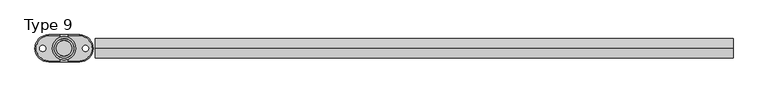
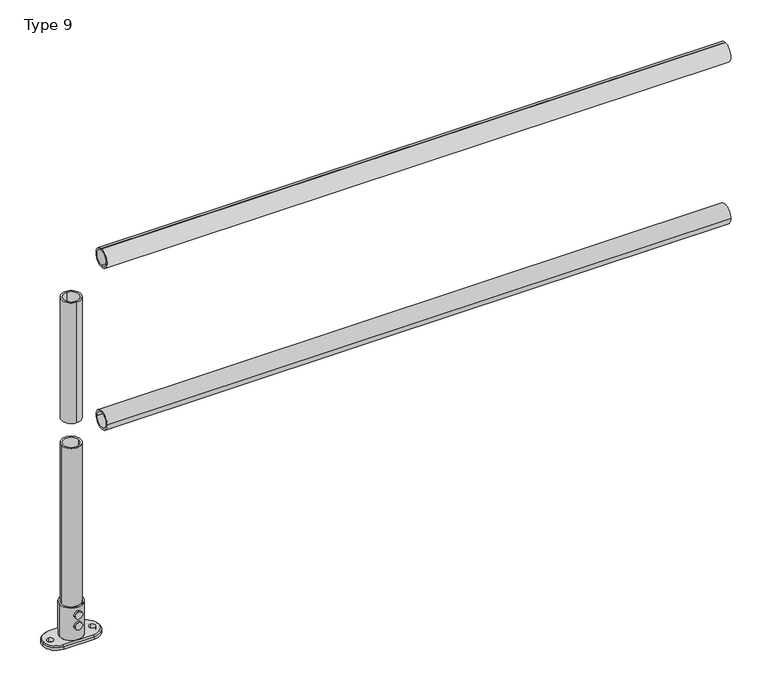
"""IFC4 building model written with IfcOpenShell, lengths in millimetres: proxy geometry, Type 9."""

import ifcopenshell
import ifcopenshell.guid

model = None  # the IFC model being written
_history = None  # IfcOwnerHistory: only IFC2X3 demands one
_inside = {}  # id of a spatial element -> (the spatial element, [elements in it])
_under = {}  # id of a project, library or spatial element -> (it, [spatial elements below it])
_declared = {}  # id of a project -> (the project, [libraries it declares])
_typed = {}  # id of a type object -> (the type object, [elements of that type])
_made_of = {}  # id of a material, layer set ... -> (it, [elements and type objects made of it])


def new_model(schema):
    """Start an empty IFC model of exactly this schema.

    Asked for "IFC4X3", IfcOpenShell would pick the latest addendum, in which some entities
    have other attributes; the version numbers below select the first issue.
    IFC2X3 requires an IfcOwnerHistory on every rooted entity: one is made here for all.
    """
    global model, _history
    if schema == "IFC4X3":
        model = ifcopenshell.file(schema_version=(4, 3, 0, 0))
    else:
        model = ifcopenshell.file(schema=schema)
    _inside.clear()
    _under.clear()
    _declared.clear()
    _typed.clear()
    _made_of.clear()
    _history = None
    if model.schema == "IFC2X3":
        org = make("IfcOrganization", Name="unknown")
        user = make(
            "IfcPersonAndOrganization",
            ThePerson=make("IfcPerson", FamilyName="unknown"),
            TheOrganization=org,
        )
        app = make(
            "IfcApplication",
            ApplicationDeveloper=org,
            Version="unknown",
            ApplicationFullName="unknown",
            ApplicationIdentifier="unknown",
        )
        _history = make(
            "IfcOwnerHistory",
            OwningUser=user,
            OwningApplication=app,
            ChangeAction="ADDED",
            CreationDate=0,
        )
    return model


def make(cls, **values):
    """One entity of the class cls with the attributes given. An attribute that is None is left unset."""
    return model.create_entity(
        cls, **{name: value for name, value in values.items() if value is not None}
    )


def rooted(cls, **values):
    """An entity with a GlobalId (a new one), such as an element, a storey or a relation."""
    return make(cls, GlobalId=ifcopenshell.guid.new(), OwnerHistory=_history, **values)


def si_unit(unit_type, name, prefix=None):
    """IfcSIUnit, for example si_unit("LENGTHUNIT", "METRE", prefix="MILLI")."""
    return make("IfcSIUnit", UnitType=unit_type, Prefix=prefix, Name=name)


def assignment(units):
    """IfcUnitAssignment: the units of a project."""
    return None if units is None else make("IfcUnitAssignment", Units=units)


def point(xyz):
    """IfcCartesianPoint."""
    return None if xyz is None else make("IfcCartesianPoint", Coordinates=xyz)


def direction(xyz):
    """IfcDirection."""
    return None if xyz is None else make("IfcDirection", DirectionRatios=xyz)


def frame(location, z_axis=None, x_axis=None):
    """IfcAxis2Placement3D, a coordinate frame: its origin and axes. An axis left out is left unset."""
    return make(
        "IfcAxis2Placement3D",
        Location=point(location),
        Axis=direction(z_axis),
        RefDirection=direction(x_axis),
    )


def frame_2d(location, x_axis=None):
    """IfcAxis2Placement2D, a coordinate frame in the plane: its origin and x axis."""
    return make(
        "IfcAxis2Placement2D", Location=point(location), RefDirection=direction(x_axis)
    )


def origin():
    """The frame at (0, 0, 0) with its axes left unset."""
    return frame((0.0, 0.0, 0.0))


def origin_with_axes():
    """The frame at (0, 0, 0) with the z axis (0, 0, 1) and the x axis (1, 0, 0) written out."""
    return frame((0.0, 0.0, 0.0), z_axis=(0.0, 0.0, 1.0), x_axis=(1.0, 0.0, 0.0))


def origin_2d():
    """The frame at (0, 0) in the plane with its x axis left unset."""
    return frame_2d((0.0, 0.0))


def place(relative_to, where):
    """IfcLocalPlacement: puts the frame where relative to a parent placement (None: the world)."""
    return make(
        "IfcLocalPlacement", PlacementRelTo=relative_to, RelativePlacement=where
    )


def context(
    kind, dimensions, precision=None, world=None, true_north=None, identifier=None
):
    """IfcGeometricRepresentationContext, for example the 3D "Model" context."""
    return make(
        "IfcGeometricRepresentationContext",
        ContextIdentifier=identifier,
        ContextType=kind,
        CoordinateSpaceDimension=dimensions,
        Precision=precision,
        WorldCoordinateSystem=world,
        TrueNorth=true_north,
    )


def project(units=None, contexts=None):
    """IfcProject with its units and contexts."""
    return rooted(
        "IfcProject",
        Name="project",
        RepresentationContexts=contexts,
        UnitsInContext=assignment(units),
    )


def spatial(cls, under=None, at=None, **own):
    """A site, building, storey or space (cls), placed at a placement, below another one or the project."""
    s = rooted(cls, ObjectPlacement=at, **own)
    if under is not None:
        _under.setdefault(under.id(), (under, []))[1].append(s)
    return s


def polyline(points):
    """IfcPolyline through the points."""
    return make("IfcPolyline", Points=[point(p) for p in points])


def circle_curve(where, radius):
    """IfcCircle in the frame where."""
    return make("IfcCircle", Position=where, Radius=radius)


def trimmed(basis, trim1, trim2, sense, master):
    """IfcTrimmedCurve: the piece of a basis curve between two trims."""
    return make(
        "IfcTrimmedCurve",
        BasisCurve=basis,
        Trim1=trim1,
        Trim2=trim2,
        SenseAgreement=sense,
        MasterRepresentation=master,
    )


def segment(curve, same_sense, transition):
    """IfcCompositeCurveSegment."""
    return make(
        "IfcCompositeCurveSegment",
        Transition=transition,
        SameSense=same_sense,
        ParentCurve=curve,
    )


def composite_curve(segments, self_intersect=None):
    """IfcCompositeCurve: segments joined end to end."""
    return make("IfcCompositeCurve", Segments=segments, SelfIntersect=self_intersect)


def outline(outer, holes=None, kind="AREA"):
    """IfcArbitraryClosedProfileDef: a profile drawn as a closed curve; with holes, ...WithVoids."""
    if holes is None:
        return make("IfcArbitraryClosedProfileDef", ProfileType=kind, OuterCurve=outer)
    return make(
        "IfcArbitraryProfileDefWithVoids",
        ProfileType=kind,
        OuterCurve=outer,
        InnerCurves=holes,
    )


def extrude(swept, where, along, depth):
    """IfcExtrudedAreaSolid: the profile swept, set in the frame where, extruded along a direction by depth."""
    return make(
        "IfcExtrudedAreaSolid",
        SweptArea=swept,
        Position=where,
        ExtrudedDirection=direction(along),
        Depth=depth,
    )


def shape(context_of_items, identifier, shape_type, items):
    """IfcShapeRepresentation: the items that make up one representation, for example the "Body"."""
    return make(
        "IfcShapeRepresentation",
        ContextOfItems=context_of_items,
        RepresentationIdentifier=identifier,
        RepresentationType=shape_type,
        Items=items,
    )


def source(mapping_origin, context_of_items, identifier, shape_type, items):
    """IfcRepresentationMap: a shape defined once, which mapped items show again and again."""
    return make(
        "IfcRepresentationMap",
        MappingOrigin=mapping_origin,
        MappedRepresentation=shape(context_of_items, identifier, shape_type, items),
    )


def transform(
    local_origin,
    x_axis=None,
    y_axis=None,
    z_axis=None,
    scale=None,
    scale2=None,
    scale3=None,
    uniform=True,
):
    """IfcCartesianTransformationOperator3D, or its non-uniform kind. x_axis, y_axis, z_axis: its Axis1, 2, 3."""
    if uniform:
        return make(
            "IfcCartesianTransformationOperator3D",
            Axis1=direction(x_axis),
            Axis2=direction(y_axis),
            LocalOrigin=point(local_origin),
            Scale=scale,
            Axis3=direction(z_axis),
        )
    return make(
        "IfcCartesianTransformationOperator3DnonUniform",
        Axis1=direction(x_axis),
        Axis2=direction(y_axis),
        LocalOrigin=point(local_origin),
        Scale=scale,
        Axis3=direction(z_axis),
        Scale2=scale2,
        Scale3=scale3,
    )


def mapped(mapping_source, mapping_target):
    """IfcMappedItem: shows the shape of a source again, moved by a transform."""
    return make(
        "IfcMappedItem", MappingSource=mapping_source, MappingTarget=mapping_target
    )


def made_of(thing, what):
    """Note that an element or type object is made of a material, layer set ...; save() writes the relation."""
    if what is not None:
        _made_of.setdefault(what.id(), (what, []))[1].append(thing)
    return thing


def element(
    cls,
    number,
    at=None,
    inside=None,
    cuts=None,
    type_object=None,
    material=None,
    context=None,
    identifier="Body",
    shape_type=None,
    held_by="IfcProductDefinitionShape",
    body=None,
    shapes=None,
    **own,
):
    """One element of the class cls, such as IfcWall. Its Tag is "e" and its number.

    at: its placement. inside: the storey or other place that contains it. cuts: it is an
    opening in that element (IfcRelVoidsElement). A single representation is given by context,
    identifier, shape_type and body (its items); several are given by shapes. held_by: the class
    of the entity that holds the representations. save() writes the other relations.
    """
    e = rooted(cls, Tag="e%d" % number, ObjectPlacement=at, **own)
    if body is not None:
        shapes = [shape(context, identifier, shape_type, body)]
    if shapes is not None:
        e.Representation = make(held_by, Representations=shapes)
    if inside is not None:
        _inside.setdefault(inside.id(), (inside, []))[1].append(e)
    if cuts is not None:
        rooted(
            "IfcRelVoidsElement", RelatingBuildingElement=cuts, RelatedOpeningElement=e
        )
    if type_object is not None:
        _typed.setdefault(type_object.id(), (type_object, []))[1].append(e)
    return made_of(e, material)


def aggregate(whole, parts):
    """IfcRelAggregates: a whole, such as a stair, and the parts it consists of."""
    return rooted("IfcRelAggregates", RelatingObject=whole, RelatedObjects=parts)


def save(model, path):
    """Write the relations noted so far, then the file.

    IfcRelAggregates (storeys below a building ...), IfcRelContainedInSpatialStructure (elements
    in a storey), IfcRelDefinesByType, IfcRelAssociatesMaterial and IfcRelDeclares: one each for
    every whole, place, type object, material and project.
    """
    for whole, parts in _under.values():
        aggregate(whole, parts)
    for where, things in _inside.values():
        rooted(
            "IfcRelContainedInSpatialStructure",
            RelatedElements=things,
            RelatingStructure=where,
        )
    for kind, things in _typed.values():
        rooted("IfcRelDefinesByType", RelatedObjects=things, RelatingType=kind)
    for what, things in _made_of.values():
        rooted("IfcRelAssociatesMaterial", RelatedObjects=things, RelatingMaterial=what)
    for by, libraries in _declared.values():
        rooted("IfcRelDeclares", RelatingContext=by, RelatedDefinitions=libraries)
    model.write(path)


def plane_surface(at):
    """IfcPlane: the flat surface through the origin of the frame at, square to its z axis."""
    return make("IfcPlane", Position=at)


def cylinder_surface(at, radius):
    """IfcCylindricalSurface: all points at the distance radius from the z axis of the frame at."""
    return make("IfcCylindricalSurface", Position=at, Radius=radius)


def revolved_surface(curve, axis_point, axis_direction):
    """IfcSurfaceOfRevolution: the curve turned about the line through axis_point along axis_direction."""
    return make(
        "IfcSurfaceOfRevolution",
        SweptCurve=make("IfcArbitraryOpenProfileDef", ProfileType="CURVE", Curve=curve),
        AxisPosition=make("IfcAxis1Placement", Location=point(axis_point), Axis=direction(axis_direction)),
    )


def advanced_brep(points, edges, surfaces, faces):
    """IfcAdvancedBrep: a solid bounded by faces that lie on surfaces and meet in shared edges.

    An edge is (start, end): straight between two places in points (the first is 0);
    or (start, end, curve); or (start, end, curve, False) where it runs against its curve.
    A face is (place in surfaces, loops), or (place, loops, False) where it looks against
    its surface's normal. A loop lists edges by number (the first is 1), with a minus sign
    where the edge is run from its end to its start. The first loop is the outer one.
    """
    corners = [point(p) for p in points]
    vertices = [make("IfcVertexPoint", VertexGeometry=c) for c in corners]
    made = []
    for start, end, *more in edges:
        made.append(
            make(
                "IfcEdgeCurve",
                EdgeStart=vertices[start],
                EdgeEnd=vertices[end],
                EdgeGeometry=more[0] if more else make("IfcPolyline", Points=[corners[start], corners[end]]),
                SameSense=more[1] if len(more) > 1 else True,
            )
        )
    hull = []
    for where, loops, *sense in faces:
        bounds = []
        for j, loop in enumerate(loops):
            ring = [make("IfcOrientedEdge", EdgeElement=made[abs(k) - 1], Orientation=k > 0) for k in loop]
            bounds.append(
                make(
                    "IfcFaceOuterBound" if j == 0 else "IfcFaceBound",
                    Bound=make("IfcEdgeLoop", EdgeList=ring),
                    Orientation=True,
                )
            )
        hull.append(make("IfcAdvancedFace", Bounds=bounds, FaceSurface=surfaces[where], SameSense=sense[0] if sense else True))
    return make("IfcAdvancedBrep", Outer=make("IfcClosedShell", CfsFaces=hull))


def type_9_e2713e72(model_context):
    return source(origin(), model_context, "Body", "SolidModel", [
        extrude(outline(composite_curve([segment(trimmed(circle_curve(frame_2d((0.0, 575.0)), 25.0), [point((-25.0, 575.0))], [point((25.0, 575.0))], False, "CARTESIAN"), True, "CONTINUOUS"), segment(trimmed(circle_curve(frame_2d((0.0, 575.0)), 25.0), [point((25.0, 575.0))], [point((-25.0, 575.0))], False, "CARTESIAN"), True, "CONTINUOUS")], self_intersect=False), holes=[composite_curve([segment(trimmed(circle_curve(frame_2d((0.0, 575.0)), 20.0), [point((-20.0, 575.0))], [point((20.0, 575.0))], True, "CARTESIAN"), True, "CONTINUOUS"), segment(trimmed(circle_curve(frame_2d((0.0, 575.0)), 20.0), [point((20.0, 575.0))], [point((-20.0, 575.0))], True, "CARTESIAN"), True, "CONTINUOUS")], self_intersect=False)]), frame((80.0, 0.0, 0.0), z_axis=(1.0, 0.0, 0.0), x_axis=(0.0, 1.0, 0.0)), (0.0, 0.0, 1.0), 1640.0),
        extrude(outline(composite_curve([segment(trimmed(circle_curve(frame_2d((0.0, 1025.0)), 25.0), [point((0.0, 1050.0))], [point((0.0, 1000.0))], False, "CARTESIAN"), True, "CONTINUOUS"), segment(trimmed(circle_curve(frame_2d((0.0, 1025.0)), 25.0), [point((0.0, 1000.0))], [point((0.0, 1050.0))], False, "CARTESIAN"), True, "CONTINUOUS")], self_intersect=False), holes=[composite_curve([segment(trimmed(circle_curve(frame_2d((0.0, 1025.0)), 20.0), [point((0.0, 1045.0))], [point((0.0, 1005.0))], True, "CARTESIAN"), True, "CONTINUOUS"), segment(trimmed(circle_curve(frame_2d((0.0, 1025.0)), 20.0), [point((0.0, 1005.0))], [point((0.0, 1045.0))], True, "CARTESIAN"), True, "CONTINUOUS")], self_intersect=False)]), frame((80.0, 0.0, 0.0), z_axis=(1.0, 0.0, 0.0), x_axis=(0.0, 1.0, 0.0)), (0.0, 0.0, 1.0), 1640.0),
        extrude(outline(composite_curve([segment(trimmed(circle_curve(origin_2d(), 25.0), [point((0.0, -25.0))], [point((0.0, 25.0))], False, "CARTESIAN"), True, "CONTINUOUS"), segment(trimmed(circle_curve(origin_2d(), 25.0), [point((0.0, 25.0))], [point((0.0, -25.0))], False, "CARTESIAN"), True, "CONTINUOUS")], self_intersect=False), holes=[composite_curve([segment(trimmed(circle_curve(origin_2d(), 20.0), [point((0.0, -20.0))], [point((0.0, 20.0))], True, "CARTESIAN"), True, "CONTINUOUS"), segment(trimmed(circle_curve(origin_2d(), 20.0), [point((0.0, 20.0))], [point((0.0, -20.0))], True, "CARTESIAN"), True, "CONTINUOUS")], self_intersect=False)]), frame((0.0, 0.0, 610.0), z_axis=(0.0, 0.0, 1.0), x_axis=(1.0, 0.0, 0.0)), (0.0, 0.0, 1.0), 335.0),
        extrude(outline(composite_curve([segment(trimmed(circle_curve(origin_2d(), 25.0), [point((25.0, 0.0))], [point((-25.0, 0.0))], False, "CARTESIAN"), True, "CONTINUOUS"), segment(trimmed(circle_curve(origin_2d(), 25.0), [point((-25.0, 0.0))], [point((25.0, 0.0))], False, "CARTESIAN"), True, "CONTINUOUS")], self_intersect=False), holes=[composite_curve([segment(trimmed(circle_curve(origin_2d(), 20.0), [point((20.0, 0.0))], [point((-20.0, 0.0))], True, "CARTESIAN"), True, "CONTINUOUS"), segment(trimmed(circle_curve(origin_2d(), 20.0), [point((-20.0, 0.0))], [point((20.0, 0.0))], True, "CARTESIAN"), True, "CONTINUOUS")], self_intersect=False)]), frame((0.0, 0.0, 100.0), z_axis=(0.0, 0.0, 1.0), x_axis=(1.0, 0.0, 0.0)), (0.0, 0.0, 1.0), 440.0),
        extrude(outline(composite_curve([segment(trimmed(circle_curve(frame_2d((50.0, 0.0)), 10.0), [point((50.0, -10.0))], [point((50.0, 10.0))], False, "CARTESIAN"), True, "CONTINUOUS"), segment(trimmed(circle_curve(frame_2d((50.0, 0.0)), 10.0), [point((50.0, 10.0))], [point((50.0, -10.0))], False, "CARTESIAN"), True, "CONTINUOUS")], self_intersect=False)), frame((0.0, 30.0, 0.0), z_axis=(0.0, 1.0, 0.0), x_axis=(0.0, 0.0, 1.0)), (0.0, 0.0, 1.0), 5.0),
        extrude(outline(composite_curve([segment(trimmed(circle_curve(frame_2d((80.0, 0.0)), 10.0), [point((80.0, -10.0))], [point((80.0, 10.0))], False, "CARTESIAN"), True, "CONTINUOUS"), segment(trimmed(circle_curve(frame_2d((80.0, 0.0)), 10.0), [point((80.0, 10.0))], [point((80.0, -10.0))], False, "CARTESIAN"), True, "CONTINUOUS")], self_intersect=False)), frame((0.0, 30.0, 0.0), z_axis=(0.0, 1.0, 0.0), x_axis=(0.0, 0.0, 1.0)), (0.0, 0.0, 1.0), 5.0),
        extrude(outline(composite_curve([segment(trimmed(circle_curve(frame_2d((50.0, 0.0)), 10.0), [point((50.0, -10.0))], [point((50.0, 10.0))], False, "CARTESIAN"), True, "CONTINUOUS"), segment(trimmed(circle_curve(frame_2d((50.0, 0.0)), 10.0), [point((50.0, 10.0))], [point((50.0, -10.0))], False, "CARTESIAN"), True, "CONTINUOUS")], self_intersect=False)), frame((0.0, -35.0, 0.0), z_axis=(0.0, 1.0, 0.0), x_axis=(0.0, 0.0, 1.0)), (0.0, 0.0, 1.0), 5.0),
        extrude(outline(composite_curve([segment(trimmed(circle_curve(frame_2d((80.0, 0.0)), 10.0), [point((80.0, -10.0))], [point((80.0, 10.0))], False, "CARTESIAN"), True, "CONTINUOUS"), segment(trimmed(circle_curve(frame_2d((80.0, 0.0)), 10.0), [point((80.0, 10.0))], [point((80.0, -10.0))], False, "CARTESIAN"), True, "CONTINUOUS")], self_intersect=False)), frame((0.0, -35.0, 0.0), z_axis=(0.0, 1.0, 0.0), x_axis=(0.0, 0.0, 1.0)), (0.0, 0.0, 1.0), 5.0),
        advanced_brep(
        [(-30.0, 0.0, 100.0), (30.0, 0.0, 100.0), (-25.0, 0.0, 100.0), (25.0, 0.0, 100.0), (40.0, 35.0, 0.0), (75.0, 0.0, 0.0), (40.0, -35.0, 0.0), (-40.0, -35.0, 0.0), (-75.0, 0.0, 0.0), (-40.0, 35.0, 0.0), (-55.0, 8.0, 0.0), (-55.0, -8.0, 0.0), (55.0, 8.0, 0.0), (55.0, -8.0, 0.0), (-30.0, 0.0, 10.0), (30.0, 0.0, 10.0), (-25.0, 0.0, 10.0), (25.0, 0.0, 10.0), (40.0, -32.0, 10.0), (72.0, 0.0, 10.0), (40.0, 32.0, 10.0), (-40.0, 32.0, 10.0), (-72.0, 0.0, 10.0), (-40.0, -32.0, 10.0), (-55.0, -8.0, 10.0), (-55.0, 8.0, 10.0), (55.0, -8.0, 10.0), (55.0, 8.0, 10.0), (-40.0, 35.0, 7.0), (40.0, 35.0, 7.0), (-75.0, 0.0, 7.0), (-40.0, -35.0, 7.0), (40.0, -35.0, 7.0), (75.0, 0.0, 7.0)],
        [
            (0, 1, circle_curve(frame((0.0, 0.0, 100.0), z_axis=(0.0, 0.0, 1.0), x_axis=(1.0, 0.0, 0.0)), 30.0)),
            (1, 0, circle_curve(frame((0.0, 0.0, 100.0), z_axis=(0.0, 0.0, 1.0), x_axis=(1.0, 0.0, 0.0)), 30.0)),
            (2, 3, circle_curve(frame((0.0, 0.0, 100.0), z_axis=(0.0, 0.0, -1.0), x_axis=(1.0, 0.0, 0.0)), 25.0)),
            (3, 2, circle_curve(frame((0.0, 0.0, 100.0), z_axis=(0.0, 0.0, -1.0), x_axis=(1.0, 0.0, 0.0)), 25.0)),
            (4, 5, circle_curve(frame((40.0, 0.0, 0.0), z_axis=(0.0, 0.0, -1.0), x_axis=(1.0, 0.0, 0.0)), 35.0)),
            (5, 6, circle_curve(frame((40.0, 0.0, 0.0), z_axis=(0.0, 0.0, -1.0), x_axis=(1.0, 0.0, 0.0)), 35.0)),
            (6, 7),
            (7, 8, circle_curve(frame((-40.0, 0.0, 0.0), z_axis=(0.0, 0.0, -1.0), x_axis=(1.0, 0.0, 0.0)), 35.0)),
            (8, 9, circle_curve(frame((-40.0, 0.0, 0.0), z_axis=(0.0, 0.0, -1.0), x_axis=(1.0, 0.0, 0.0)), 35.0)),
            (9, 4),
            (10, 11, circle_curve(frame((-55.0, 0.0, 0.0), z_axis=(0.0, 0.0, 1.0), x_axis=(0.0, 1.0, 0.0)), 8.0)),
            (11, 10, circle_curve(frame((-55.0, 0.0, 0.0), z_axis=(0.0, 0.0, 1.0), x_axis=(0.0, 1.0, 0.0)), 8.0)),
            (12, 13, circle_curve(frame((55.0, 0.0, 0.0), z_axis=(0.0, 0.0, 1.0), x_axis=(0.0, 1.0, 0.0)), 8.0)),
            (13, 12, circle_curve(frame((55.0, 0.0, 0.0), z_axis=(0.0, 0.0, 1.0), x_axis=(0.0, 1.0, 0.0)), 8.0)),
            (0, 14),
            (14, 15, circle_curve(frame((0.0, 0.0, 10.0), z_axis=(0.0, 0.0, 1.0), x_axis=(1.0, 0.0, 0.0)), 30.0)),
            (15, 1),
            (15, 14, circle_curve(frame((0.0, 0.0, 10.0), z_axis=(0.0, 0.0, 1.0), x_axis=(1.0, 0.0, 0.0)), 30.0)),
            (2, 16),
            (16, 17, circle_curve(frame((0.0, 0.0, 10.0), z_axis=(0.0, 0.0, -1.0), x_axis=(1.0, 0.0, 0.0)), 25.0)),
            (17, 3),
            (17, 16, circle_curve(frame((0.0, 0.0, 10.0), z_axis=(0.0, 0.0, -1.0), x_axis=(1.0, 0.0, 0.0)), 25.0)),
            (18, 19, circle_curve(frame((40.0, 0.0, 10.0), z_axis=(0.0, 0.0, 1.0), x_axis=(0.0, -1.0, 0.0)), 32.0)),
            (19, 20, circle_curve(frame((40.0, 0.0, 10.0), z_axis=(0.0, 0.0, 1.0), x_axis=(1.0, 0.0, 0.0)), 32.0)),
            (20, 21),
            (21, 22, circle_curve(frame((-40.0, 0.0, 10.0), z_axis=(0.0, 0.0, 1.0), x_axis=(0.0, 1.0, 0.0)), 32.0)),
            (22, 23, circle_curve(frame((-40.0, 0.0, 10.0), z_axis=(0.0, 0.0, 1.0), x_axis=(-1.0, 0.0, 0.0)), 32.0)),
            (23, 18),
            (24, 25, circle_curve(frame((-55.0, 0.0, 10.0), z_axis=(0.0, 0.0, -1.0), x_axis=(0.0, 1.0, 0.0)), 8.0)),
            (25, 24, circle_curve(frame((-55.0, 0.0, 10.0), z_axis=(0.0, 0.0, -1.0), x_axis=(0.0, 1.0, 0.0)), 8.0)),
            (26, 27, circle_curve(frame((55.0, 0.0, 10.0), z_axis=(0.0, 0.0, -1.0), x_axis=(0.0, 1.0, 0.0)), 8.0)),
            (27, 26, circle_curve(frame((55.0, 0.0, 10.0), z_axis=(0.0, 0.0, -1.0), x_axis=(0.0, 1.0, 0.0)), 8.0)),
            (9, 28),
            (28, 29),
            (29, 4),
            (8, 30),
            (30, 28, circle_curve(frame((-40.0, 0.0, 7.0), z_axis=(0.0, 0.0, -1.0), x_axis=(1.0, 0.0, 0.0)), 35.0)),
            (7, 31),
            (31, 30, circle_curve(frame((-40.0, 0.0, 7.0), z_axis=(0.0, 0.0, -1.0), x_axis=(1.0, 0.0, 0.0)), 35.0)),
            (6, 32),
            (32, 31),
            (5, 33),
            (33, 32, circle_curve(frame((40.0, 0.0, 7.0), z_axis=(0.0, 0.0, -1.0), x_axis=(1.0, 0.0, 0.0)), 35.0)),
            (29, 33, circle_curve(frame((40.0, 0.0, 7.0), z_axis=(0.0, 0.0, -1.0), x_axis=(1.0, 0.0, 0.0)), 35.0)),
            (10, 25),
            (24, 11),
            (12, 27),
            (26, 13),
            (33, 19),
            (18, 32),
            (29, 20),
            (28, 21),
            (30, 22),
            (31, 23),
        ],
        [
            plane_surface(frame((30.0, 0.0, 100.0), z_axis=(0.0, 0.0, 1.0), x_axis=(0.0, 1.0, 0.0))),
            plane_surface(frame((30.0, 0.0, 0.0), z_axis=(0.0, 0.0, -1.0), x_axis=(0.0, -1.0, 0.0))),
            cylinder_surface(origin_with_axes(), 30.0),
            revolved_surface(polyline([(25.0, 0.0, 10.0), (25.0, 0.0, 100.0)]), (0.0, 0.0, 0.0), (0.0, 0.0, -1.0)),
            plane_surface(frame((-92.6957996, 35.0, 10.0), z_axis=(0.0, 0.0, 1.0), x_axis=(-1.0, 0.0, 0.0))),
            plane_surface(frame((40.0, 35.0, 10.0), z_axis=(0.0, 1.0, 0.0), x_axis=(0.0, 0.0, -1.0))),
            cylinder_surface(frame((-40.0, 0.0, 0.0), z_axis=(0.0, 0.0, 1.0), x_axis=(1.0, 0.0, 0.0)), 35.0),
            plane_surface(frame((-40.0, -35.0, 10.0), z_axis=(0.0, -1.0, 0.0), x_axis=(0.0, 0.0, -1.0))),
            cylinder_surface(frame((40.0, 0.0, 0.0), z_axis=(0.0, 0.0, 1.0), x_axis=(1.0, 0.0, 0.0)), 35.0),
            revolved_surface(polyline([(-55.0, 8.0, 0.0), (-55.0, 8.0, 10.0)]), (-55.0, 0.0, 10.0), (0.0, 0.0, -1.0)),
            revolved_surface(polyline([(55.0, 8.0, 0.0), (55.0, 8.0, 10.0)]), (55.0, 0.0, 0.0), (0.0, 0.0, -1.0)),
            revolved_surface(polyline([(40.0, -35.0, 7.0), (40.0, -32.0, 10.0)]), (40.0, 0.0, 10.0), (0.0, 0.0, 1.0)),
            revolved_surface(polyline([(75.0, 0.0, 7.0), (72.0, 0.0, 10.0)]), (40.0, 0.0, 10.0), (0.0, 0.0, 1.0)),
            plane_surface(frame((40.0, 32.0, 10.0), z_axis=(0.0, 0.707106781186547, 0.707106781186548), x_axis=(-1.0, 0.0, 0.0))),
            revolved_surface(polyline([(-40.0, 35.0, 7.0), (-40.0, 32.0, 10.0)]), (-40.0, 0.0, 10.0), (0.0, 0.0, 1.0)),
            revolved_surface(polyline([(-75.0, 0.0, 7.0), (-72.0, 0.0, 10.0)]), (-40.0, 0.0, 10.0), (0.0, 0.0, 1.0)),
            plane_surface(frame((-40.0, -32.0, 10.0), z_axis=(0.0, -0.707106781186547, 0.707106781186548), x_axis=(1.0, 0.0, 0.0))),
        ],
        [
            (0, [[1, 2], [3, 4]]),
            (1, [[5, 6, 7, 8, 9, 10], [11, 12], [13, 14]]),
            (2, [[-1, 15, 16, 17]]),
            (2, [[-2, -17, 18, -15]]),
            (3, [[-3, 19, 20, 21]]),
            (3, [[-4, -21, 22, -19]]),
            (4, [[-20, -22]]),
            (4, [[23, 24, 25, 26, 27, 28], [-16, -18], [29, 30], [31, 32]]),
            (5, [[-10, 33, 34, 35]]),
            (6, [[-9, 36, 37, -33]]),
            (6, [[-8, 38, 39, -36]]),
            (7, [[-7, 40, 41, -38]]),
            (8, [[-6, 42, 43, -40]]),
            (8, [[-5, -35, 44, -42]]),
            (9, [[45, -29, 46, -11]]),
            (9, [[-45, -12, -46, -30]]),
            (10, [[47, -31, 48, -13]]),
            (10, [[-47, -14, -48, -32]]),
            (11, [[49, -23, 50, -43]]),
            (12, [[-49, -44, 51, -24]]),
            (13, [[-51, -34, 52, -25]]),
            (14, [[-52, -37, 53, -26]]),
            (15, [[-53, -39, 54, -27]]),
            (16, [[-50, -28, -54, -41]]),
        ],
    ),
    ])


if __name__ == "__main__":
    model = new_model("IFC4")
    model_context = context("Model", 3, world=origin())
    ifc_project = project(units=[si_unit("LENGTHUNIT", "METRE", prefix="MILLI")], contexts=[model_context])
    site = spatial("IfcSite", under=ifc_project)
    building = spatial("IfcBuilding", under=site)
    placement = place(None, origin())
    type_9_shape = type_9_e2713e72(model_context)
    element("IfcBuildingElementProxy", 1, Name="Type 9", ObjectType="Type 9", at=placement, inside=building, context=model_context, shape_type="MappedRepresentation", body=[
        mapped(type_9_shape, transform((0.0, 0.0, 0.0), x_axis=(1.0, 0.0, 0.0), y_axis=(0.0, 1.0, 0.0), z_axis=(0.0, 0.0, 1.0))),
    ])
    save(model, "model.ifc")
